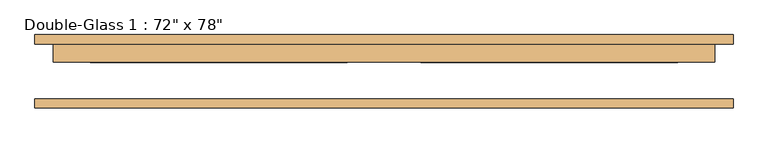
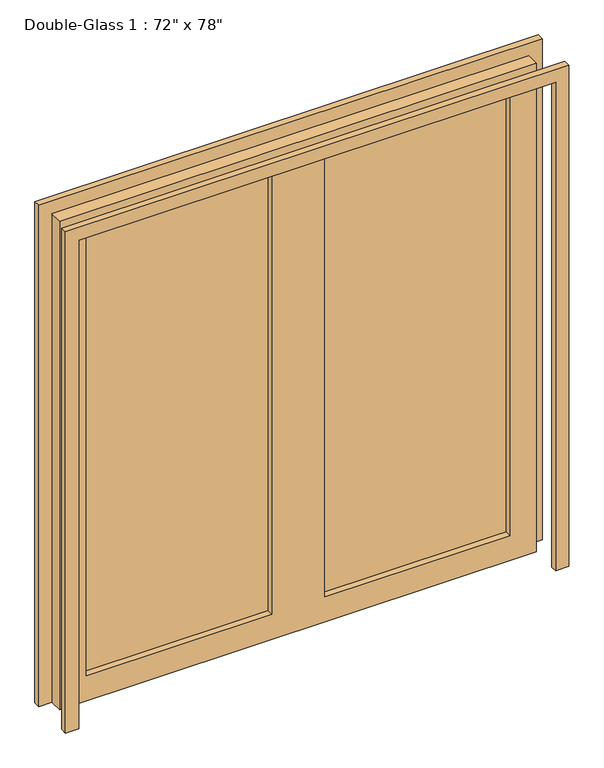
"""IFC4 building model written with IfcOpenShell, lengths in millimetres: door geometry."""

from ifc_helpers import new_model, si_unit, frame, origin, place, context, project, spatial, polyline, outline, extrude, source, transform, mapped, element, save


def door_685895e6(model_context):
    return source(origin(), model_context, "Body", "SweptSolid", [
        extrude(outline(polyline([(0.0, 965.2), (2032.0, 965.2), (2032.0, -965.2), (0.0, -965.2), (0.0, -914.4), (1981.2, -914.4), (1981.2, 914.4), (0.0, 914.4), (0.0, 965.2)])), frame((0.0, -99.21875, 0.0), z_axis=(0.0, 1.0, 0.0), x_axis=(0.0, 0.0, 1.0)), (0.0, 0.0, 1.0), 25.4),
        extrude(outline(polyline([(1981.2, 914.4), (0.0, 914.4), (0.0, 965.2), (2032.0, 965.2), (2032.0, -965.2), (0.0, -965.2), (0.0, -914.4), (1981.2, -914.4), (1981.2, 914.4)])), frame((0.0, 78.58125, 0.0), z_axis=(0.0, 1.0, 0.0), x_axis=(0.0, 0.0, 1.0)), (0.0, 0.0, 1.0), 25.4),
        extrude(outline(polyline([(812.8, 53.18125), (101.6, 53.18125), (101.6, 60.325), (812.8, 60.325), (812.8, 53.18125)])), frame((0.0, 0.0, 101.6), z_axis=(0.0, 0.0, 1.0), x_axis=(1.0, 0.0, 0.0)), (0.0, 0.0, 1.0), 1778.0),
        extrude(outline(polyline([(-101.6, 53.18125), (-812.8, 53.18125), (-812.8, 60.325), (-101.6, 60.325), (-101.6, 53.18125)])), frame((0.0, 0.0, 101.6), z_axis=(0.0, 0.0, 1.0), x_axis=(1.0, 0.0, 0.0)), (0.0, 0.0, 1.0), 1778.0),
        extrude(outline(polyline([(1981.2, 914.4), (1981.2, -914.4), (0.0, -914.4), (0.0, 914.4), (1981.2, 914.4)]), holes=[polyline([(1879.6, -101.6), (101.6, -101.6), (101.6, -812.8), (1879.6, -812.8), (1879.6, -101.6)]), polyline([(1879.6, 812.8), (101.6, 812.8), (101.6, 101.6), (1879.6, 101.6), (1879.6, 812.8)])]), frame((0.0, 27.78125, 0.0), z_axis=(0.0, 1.0, 0.0), x_axis=(0.0, 0.0, 1.0)), (0.0, 0.0, 1.0), 50.8),
    ])


if __name__ == "__main__":
    model = new_model("IFC4")
    model_context = context("Model", 3, world=origin())
    ifc_project = project(units=[si_unit("LENGTHUNIT", "METRE", prefix="MILLI")], contexts=[model_context])
    site = spatial("IfcSite", under=ifc_project)
    building = spatial("IfcBuilding", under=site)
    placement = place(None, origin())
    door_shape = door_685895e6(model_context)
    element("IfcDoor", 1, ObjectType="Double-Glass 1 : 72\" x 78\"", at=placement, inside=building, context=model_context, shape_type="MappedRepresentation", body=[
        mapped(door_shape, transform((0.0, 0.0, 0.0), x_axis=(1.0, 0.0, 0.0), y_axis=(0.0, 1.0, 0.0), z_axis=(0.0, 0.0, 1.0))),
    ])
    save(model, "model.ifc")
